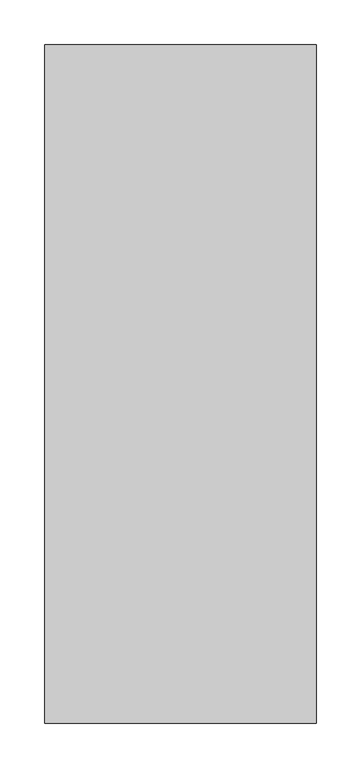
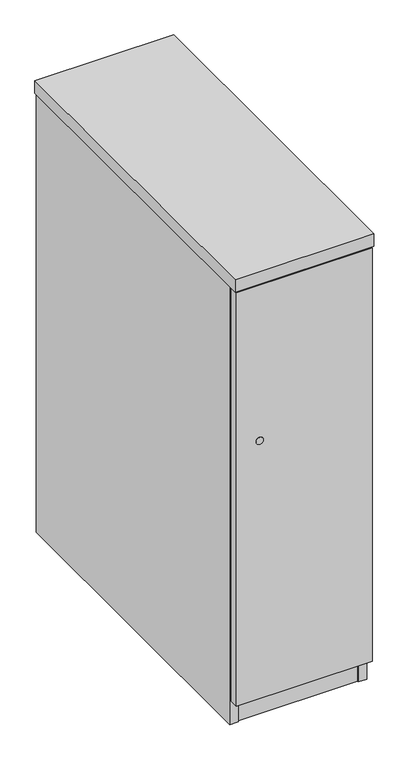
"""IFC4 building model written with IfcOpenShell, lengths in millimetres: furniture geometry."""

from ifc_helpers import new_model, si_unit, point, frame, frame_2d, origin, origin_with_axes, place, context, project, spatial, polyline, circle_curve, trimmed, segment, composite_curve, outline, extrude, source, transform, mapped, element, save


def furniture_8123bf09(model_context):
    return source(origin(), model_context, "Body", "SweptSolid", [
        extrude(outline(polyline([(30.486517, -689.3083769), (46.4343748, -680.1008769), (62.3822326, -689.3083769), (62.3822326, -707.7233769), (46.4343748, -716.9308769), (30.486517, -707.7233769), (30.486517, -689.3083769)])), origin_with_axes(), (0.0, 0.0, 1.0), 9.144),
        extrude(outline(polyline([(242.417767, -689.3083769), (258.3656248, -680.1008769), (274.3134826, -689.3083769), (274.3134826, -707.7233769), (258.3656248, -716.9308769), (242.417767, -707.7233769), (242.417767, -689.3083769)])), origin_with_axes(), (0.0, 0.0, 1.0), 9.144),
        extrude(outline(polyline([(242.417767, -46.4024214), (258.3656248, -37.1949214), (274.3134826, -46.4024214), (274.3134826, -64.8174214), (258.3656248, -74.0249214), (242.417767, -64.8174214), (242.417767, -46.4024214)])), origin_with_axes(), (0.0, 0.0, 1.0), 9.144),
        extrude(outline(polyline([(30.486517, -46.4024214), (46.4343748, -37.1949214), (62.3822326, -46.4024214), (62.3822326, -64.8174214), (46.4343748, -74.0249214), (30.486517, -64.8174214), (30.486517, -46.4024214)])), origin_with_axes(), (0.0, 0.0, 1.0), 9.144),
        extrude(outline(polyline([(283.9085154, -29.6567343), (283.9085154, -742.0610024), (20.8915005, -742.0610024), (20.8915005, -29.6567343), (283.9085154, -29.6567343)])), frame((0.0, 0.0, 785.0326657), z_axis=(0.0, 0.0, 1.0), x_axis=(1.0, 0.0, 0.0)), (0.0, 0.0, 1.0), 19.304),
        extrude(outline(composite_curve([segment(polyline([(-378.7162353, 735.9065257), (-378.7162353, 707.6313621)]), True, "CONTINUOUS"), segment(trimmed(circle_curve(frame_2d((-388.2412353, 707.6313621)), 9.525), [point((-378.7162353, 707.6313621))], [point((-397.7662353, 707.6313621))], False, "CARTESIAN"), True, "CONTINUOUS"), segment(polyline([(-397.7662353, 707.6313621), (-397.7662353, 735.9065257), (-396.1787353, 735.9065257), (-396.1787353, 707.6313621)]), True, "CONTINUOUS"), segment(trimmed(circle_curve(frame_2d((-388.2412353, 707.6313621)), 7.9375), [point((-396.1787353, 707.6313621))], [point((-380.3037353, 707.6313621))], True, "CARTESIAN"), True, "CONTINUOUS"), segment(polyline([(-380.3037353, 707.6313621), (-380.3037353, 735.9065257), (-378.7162353, 735.9065257)]), True, "CONTINUOUS")], self_intersect=False)), frame((265.6459151, 0.0, 0.0), z_axis=(1.0, 0.0, 0.0), x_axis=(0.0, 1.0, 0.0)), (0.0, 0.0, 1.0), 18.2626003),
        extrude(outline(composite_curve([segment(polyline([(-378.7162353, 735.9065257), (-378.7162353, 707.6313621)]), True, "CONTINUOUS"), segment(trimmed(circle_curve(frame_2d((-388.2412353, 707.6313621)), 9.525), [point((-378.7162353, 707.6313621))], [point((-397.7662353, 707.6313621))], False, "CARTESIAN"), True, "CONTINUOUS"), segment(polyline([(-397.7662353, 707.6313621), (-397.7662353, 735.9065257), (-396.1787353, 735.9065257), (-396.1787353, 707.6313621)]), True, "CONTINUOUS"), segment(trimmed(circle_curve(frame_2d((-388.2412353, 707.6313621)), 7.9375), [point((-396.1787353, 707.6313621))], [point((-380.3037353, 707.6313621))], True, "CARTESIAN"), True, "CONTINUOUS"), segment(polyline([(-380.3037353, 707.6313621), (-380.3037353, 735.9065257), (-378.7162353, 735.9065257)]), True, "CONTINUOUS")], self_intersect=False)), frame((20.8915005, 0.0, 0.0), z_axis=(1.0, 0.0, 0.0), x_axis=(0.0, 1.0, 0.0)), (0.0, 0.0, 1.0), 18.2626003),
        extrude(outline(composite_curve([segment(trimmed(circle_curve(frame_2d((-388.4663924, 707.6313621)), 7.4930019), [point((-380.9733905, 707.6313621))], [point((-395.9593944, 707.6313621))], False, "CARTESIAN"), True, "CONTINUOUS"), segment(polyline([(-395.9593944, 707.6313621), (-395.9593944, 722.6428005)]), True, "CONTINUOUS"), segment(trimmed(circle_curve(frame_2d((-388.4663924, 722.6428005)), 7.4930019), [point((-395.9593944, 722.6428005))], [point((-380.9733905, 722.6428005))], False, "CARTESIAN"), True, "CONTINUOUS"), segment(polyline([(-380.9733905, 722.6428005), (-380.9733905, 707.6313621)]), True, "CONTINUOUS")], self_intersect=False)), frame((21.5264999, 0.0, 0.0), z_axis=(1.0, 0.0, 0.0), x_axis=(0.0, 1.0, 0.0)), (0.0, 0.0, 1.0), 261.7470161),
        extrude(outline(polyline([(283.9085154, -742.8230199), (21.5264999, -742.8230199), (21.5264999, -723.5190019), (283.9085154, -723.5190019), (283.9085154, -742.8230199)])), frame((0.0, 0.0, 4.699), z_axis=(0.0, 0.0, 1.0), x_axis=(1.0, 0.0, 0.0)), (0.0, 0.0, 1.0), 55.56758),
        extrude(outline(polyline([(301.6250158, -767.6537353), (3.175, -767.6537353), (3.175, -748.3497537), (301.6250158, -748.3497537), (301.6250158, -767.6537353)])), frame((0.0, 0.0, 60.26658), z_axis=(0.0, 0.0, 1.0), x_axis=(1.0, 0.0, 0.0)), (0.0, 0.0, 1.0), 960.86422),
        extrude(outline(polyline([(283.9085154, -29.6567343), (283.9085154, -744.793745), (20.8915005, -744.793745), (20.8915005, -29.6567343), (283.9085154, -29.6567343)])), frame((0.0, 0.0, 1005.0017457), z_axis=(0.0, 0.0, 1.0), x_axis=(1.0, 0.0, 0.0)), (0.0, 0.0, 1.0), 19.3040543),
        extrude(outline(polyline([(304.8, -7.2412353), (304.8, -769.2412353), (0.0, -769.2412353), (0.0, -7.2412353), (304.8, -7.2412353)])), frame((0.0, 0.0, 1024.3058), z_axis=(0.0, 0.0, 1.0), x_axis=(1.0, 0.0, 0.0)), (0.0, 0.0, 1.0), 28.575),
        extrude(outline(polyline([(283.9085154, -29.6567343), (283.9085154, -744.793745), (20.8915005, -744.793745), (20.8915005, -29.6567343), (283.9085154, -29.6567343)])), frame((0.0, 0.0, 60.26658), z_axis=(0.0, 0.0, 1.0), x_axis=(1.0, 0.0, 0.0)), (0.0, 0.0, 1.0), 19.3040043),
        extrude(outline(polyline([(283.9085154, -10.3527351), (283.9085154, -29.6567343), (20.8915005, -29.6567343), (20.8915005, -10.3527351), (283.9085154, -10.3527351)])), frame((0.0, 0.0, 4.699), z_axis=(0.0, 0.0, 1.0), x_axis=(1.0, 0.0, 0.0)), (0.0, 0.0, 1.0), 1019.6068),
        extrude(outline(polyline([(20.8915005, -8.8287353), (20.8915005, -745.1747537), (1.5875, -745.1747537), (1.5875, -8.8287353), (20.8915005, -8.8287353)])), frame((0.0, 0.0, 4.699), z_axis=(0.0, 0.0, 1.0), x_axis=(1.0, 0.0, 0.0)), (0.0, 0.0, 1.0), 1019.6068),
        extrude(outline(polyline([(283.9085154, -8.8287353), (303.2125158, -8.8287353), (303.2125158, -745.1747537), (283.9085154, -745.1747537), (283.9085154, -8.8287353)])), frame((0.0, 0.0, 4.699), z_axis=(0.0, 0.0, 1.0), x_axis=(1.0, 0.0, 0.0)), (0.0, 0.0, 1.0), 1019.6068),
        extrude(outline(composite_curve([segment(trimmed(circle_curve(frame_2d((659.96058, 54.0385)), 8.001), [point((659.96058, 62.0395))], [point((659.96058, 46.0375))], False, "CARTESIAN"), True, "CONTINUOUS"), segment(trimmed(circle_curve(frame_2d((659.96058, 54.0385)), 8.001), [point((659.96058, 46.0375))], [point((659.96058, 62.0395))], False, "CARTESIAN"), True, "CONTINUOUS")], self_intersect=False)), frame((0.0, -769.2412353, 0.0), z_axis=(0.0, 1.0, 0.0), x_axis=(0.0, 0.0, 1.0)), (0.0, 0.0, 1.0), 1.5875),
    ])


if __name__ == "__main__":
    model = new_model("IFC4")
    model_context = context("Model", 3, world=origin())
    ifc_project = project(units=[si_unit("LENGTHUNIT", "METRE", prefix="MILLI")], contexts=[model_context])
    site = spatial("IfcSite", under=ifc_project)
    building = spatial("IfcBuilding", under=site)
    placement = place(None, origin())
    furniture_shape = furniture_8123bf09(model_context)
    element("IfcFurniture", 1, at=placement, inside=building, context=model_context, shape_type="MappedRepresentation", body=[
        mapped(furniture_shape, transform((0.0, 0.0, 0.0), x_axis=(1.0, 0.0, 0.0), y_axis=(0.0, 1.0, 0.0), z_axis=(0.0, 0.0, 1.0))),
    ])
    save(model, "model.ifc")
